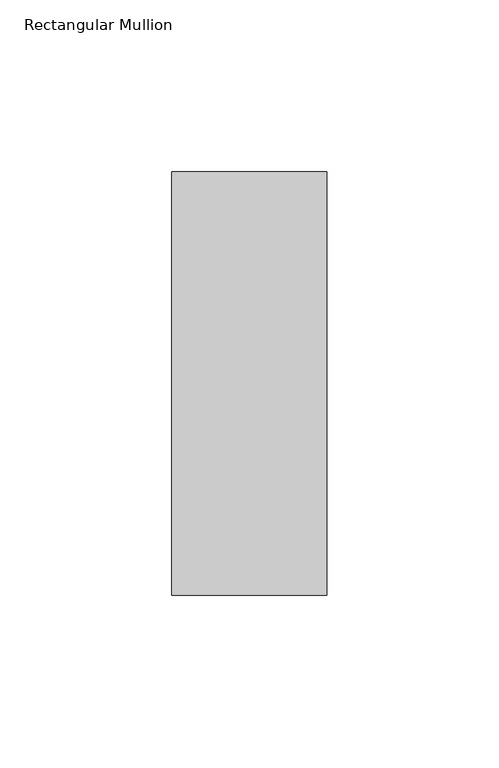
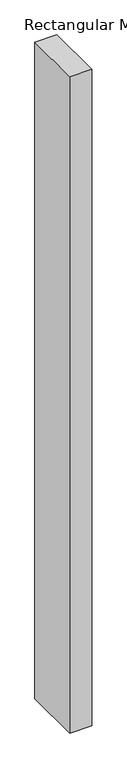
"""IFC4 building model written with IfcOpenShell, lengths in millimetres: member geometry, Rectangular Mullion."""

import ifcopenshell
import ifcopenshell.guid

model = None  # the IFC model being written
_history = None  # IfcOwnerHistory: only IFC2X3 demands one
_inside = {}  # id of a spatial element -> (the spatial element, [elements in it])
_under = {}  # id of a project, library or spatial element -> (it, [spatial elements below it])
_declared = {}  # id of a project -> (the project, [libraries it declares])
_typed = {}  # id of a type object -> (the type object, [elements of that type])
_made_of = {}  # id of a material, layer set ... -> (it, [elements and type objects made of it])


def new_model(schema):
    """Start an empty IFC model of exactly this schema.

    Asked for "IFC4X3", IfcOpenShell would pick the latest addendum, in which some entities
    have other attributes; the version numbers below select the first issue.
    IFC2X3 requires an IfcOwnerHistory on every rooted entity: one is made here for all.
    """
    global model, _history
    if schema == "IFC4X3":
        model = ifcopenshell.file(schema_version=(4, 3, 0, 0))
    else:
        model = ifcopenshell.file(schema=schema)
    _inside.clear()
    _under.clear()
    _declared.clear()
    _typed.clear()
    _made_of.clear()
    _history = None
    if model.schema == "IFC2X3":
        org = make("IfcOrganization", Name="unknown")
        user = make(
            "IfcPersonAndOrganization",
            ThePerson=make("IfcPerson", FamilyName="unknown"),
            TheOrganization=org,
        )
        app = make(
            "IfcApplication",
            ApplicationDeveloper=org,
            Version="unknown",
            ApplicationFullName="unknown",
            ApplicationIdentifier="unknown",
        )
        _history = make(
            "IfcOwnerHistory",
            OwningUser=user,
            OwningApplication=app,
            ChangeAction="ADDED",
            CreationDate=0,
        )
    return model


def make(cls, **values):
    """One entity of the class cls with the attributes given. An attribute that is None is left unset."""
    return model.create_entity(
        cls, **{name: value for name, value in values.items() if value is not None}
    )


def rooted(cls, **values):
    """An entity with a GlobalId (a new one), such as an element, a storey or a relation."""
    return make(cls, GlobalId=ifcopenshell.guid.new(), OwnerHistory=_history, **values)


def si_unit(unit_type, name, prefix=None):
    """IfcSIUnit, for example si_unit("LENGTHUNIT", "METRE", prefix="MILLI")."""
    return make("IfcSIUnit", UnitType=unit_type, Prefix=prefix, Name=name)


def assignment(units):
    """IfcUnitAssignment: the units of a project."""
    return None if units is None else make("IfcUnitAssignment", Units=units)


def point(xyz):
    """IfcCartesianPoint."""
    return None if xyz is None else make("IfcCartesianPoint", Coordinates=xyz)


def direction(xyz):
    """IfcDirection."""
    return None if xyz is None else make("IfcDirection", DirectionRatios=xyz)


def frame(location, z_axis=None, x_axis=None):
    """IfcAxis2Placement3D, a coordinate frame: its origin and axes. An axis left out is left unset."""
    return make(
        "IfcAxis2Placement3D",
        Location=point(location),
        Axis=direction(z_axis),
        RefDirection=direction(x_axis),
    )


def origin():
    """The frame at (0, 0, 0) with its axes left unset."""
    return frame((0.0, 0.0, 0.0))


def place(relative_to, where):
    """IfcLocalPlacement: puts the frame where relative to a parent placement (None: the world)."""
    return make(
        "IfcLocalPlacement", PlacementRelTo=relative_to, RelativePlacement=where
    )


def context(
    kind, dimensions, precision=None, world=None, true_north=None, identifier=None
):
    """IfcGeometricRepresentationContext, for example the 3D "Model" context."""
    return make(
        "IfcGeometricRepresentationContext",
        ContextIdentifier=identifier,
        ContextType=kind,
        CoordinateSpaceDimension=dimensions,
        Precision=precision,
        WorldCoordinateSystem=world,
        TrueNorth=true_north,
    )


def project(units=None, contexts=None):
    """IfcProject with its units and contexts."""
    return rooted(
        "IfcProject",
        Name="project",
        RepresentationContexts=contexts,
        UnitsInContext=assignment(units),
    )


def spatial(cls, under=None, at=None, **own):
    """A site, building, storey or space (cls), placed at a placement, below another one or the project."""
    s = rooted(cls, ObjectPlacement=at, **own)
    if under is not None:
        _under.setdefault(under.id(), (under, []))[1].append(s)
    return s


def polyline(points):
    """IfcPolyline through the points."""
    return make("IfcPolyline", Points=[point(p) for p in points])


def outline(outer, holes=None, kind="AREA"):
    """IfcArbitraryClosedProfileDef: a profile drawn as a closed curve; with holes, ...WithVoids."""
    if holes is None:
        return make("IfcArbitraryClosedProfileDef", ProfileType=kind, OuterCurve=outer)
    return make(
        "IfcArbitraryProfileDefWithVoids",
        ProfileType=kind,
        OuterCurve=outer,
        InnerCurves=holes,
    )


def extrude(swept, where, along, depth):
    """IfcExtrudedAreaSolid: the profile swept, set in the frame where, extruded along a direction by depth."""
    return make(
        "IfcExtrudedAreaSolid",
        SweptArea=swept,
        Position=where,
        ExtrudedDirection=direction(along),
        Depth=depth,
    )


def shape(context_of_items, identifier, shape_type, items):
    """IfcShapeRepresentation: the items that make up one representation, for example the "Body"."""
    return make(
        "IfcShapeRepresentation",
        ContextOfItems=context_of_items,
        RepresentationIdentifier=identifier,
        RepresentationType=shape_type,
        Items=items,
    )


def source(mapping_origin, context_of_items, identifier, shape_type, items):
    """IfcRepresentationMap: a shape defined once, which mapped items show again and again."""
    return make(
        "IfcRepresentationMap",
        MappingOrigin=mapping_origin,
        MappedRepresentation=shape(context_of_items, identifier, shape_type, items),
    )


def transform(
    local_origin,
    x_axis=None,
    y_axis=None,
    z_axis=None,
    scale=None,
    scale2=None,
    scale3=None,
    uniform=True,
):
    """IfcCartesianTransformationOperator3D, or its non-uniform kind. x_axis, y_axis, z_axis: its Axis1, 2, 3."""
    if uniform:
        return make(
            "IfcCartesianTransformationOperator3D",
            Axis1=direction(x_axis),
            Axis2=direction(y_axis),
            LocalOrigin=point(local_origin),
            Scale=scale,
            Axis3=direction(z_axis),
        )
    return make(
        "IfcCartesianTransformationOperator3DnonUniform",
        Axis1=direction(x_axis),
        Axis2=direction(y_axis),
        LocalOrigin=point(local_origin),
        Scale=scale,
        Axis3=direction(z_axis),
        Scale2=scale2,
        Scale3=scale3,
    )


def mapped(mapping_source, mapping_target):
    """IfcMappedItem: shows the shape of a source again, moved by a transform."""
    return make(
        "IfcMappedItem", MappingSource=mapping_source, MappingTarget=mapping_target
    )


def made_of(thing, what):
    """Note that an element or type object is made of a material, layer set ...; save() writes the relation."""
    if what is not None:
        _made_of.setdefault(what.id(), (what, []))[1].append(thing)
    return thing


def element(
    cls,
    number,
    at=None,
    inside=None,
    cuts=None,
    type_object=None,
    material=None,
    context=None,
    identifier="Body",
    shape_type=None,
    held_by="IfcProductDefinitionShape",
    body=None,
    shapes=None,
    **own,
):
    """One element of the class cls, such as IfcWall. Its Tag is "e" and its number.

    at: its placement. inside: the storey or other place that contains it. cuts: it is an
    opening in that element (IfcRelVoidsElement). A single representation is given by context,
    identifier, shape_type and body (its items); several are given by shapes. held_by: the class
    of the entity that holds the representations. save() writes the other relations.
    """
    e = rooted(cls, Tag="e%d" % number, ObjectPlacement=at, **own)
    if body is not None:
        shapes = [shape(context, identifier, shape_type, body)]
    if shapes is not None:
        e.Representation = make(held_by, Representations=shapes)
    if inside is not None:
        _inside.setdefault(inside.id(), (inside, []))[1].append(e)
    if cuts is not None:
        rooted(
            "IfcRelVoidsElement", RelatingBuildingElement=cuts, RelatedOpeningElement=e
        )
    if type_object is not None:
        _typed.setdefault(type_object.id(), (type_object, []))[1].append(e)
    return made_of(e, material)


def aggregate(whole, parts):
    """IfcRelAggregates: a whole, such as a stair, and the parts it consists of."""
    return rooted("IfcRelAggregates", RelatingObject=whole, RelatedObjects=parts)


def save(model, path):
    """Write the relations noted so far, then the file.

    IfcRelAggregates (storeys below a building ...), IfcRelContainedInSpatialStructure (elements
    in a storey), IfcRelDefinesByType, IfcRelAssociatesMaterial and IfcRelDeclares: one each for
    every whole, place, type object, material and project.
    """
    for whole, parts in _under.values():
        aggregate(whole, parts)
    for where, things in _inside.values():
        rooted(
            "IfcRelContainedInSpatialStructure",
            RelatedElements=things,
            RelatingStructure=where,
        )
    for kind, things in _typed.values():
        rooted("IfcRelDefinesByType", RelatedObjects=things, RelatingType=kind)
    for what, things in _made_of.values():
        rooted("IfcRelAssociatesMaterial", RelatedObjects=things, RelatingMaterial=what)
    for by, libraries in _declared.values():
        rooted("IfcRelDeclares", RelatingContext=by, RelatedDefinitions=libraries)
    model.write(path)


def rectangular_mullion_16b08667(model_context):
    return source(origin(), model_context, "Body", "SweptSolid", [
        extrude(outline(polyline([(0.0, 77.05), (0.0, -46.05), (-45.0, -46.05), (-45.0, 77.05), (0.0, 77.05)])), frame((0.0, 0.0, -1418.0437978), z_axis=(0.0, 0.0, 1.0), x_axis=(1.0, 0.0, 0.0)), (0.0, 0.0, 1.0), 1418.0437978),
    ])


if __name__ == "__main__":
    model = new_model("IFC4")
    model_context = context("Model", 3, world=origin())
    ifc_project = project(units=[si_unit("LENGTHUNIT", "METRE", prefix="MILLI")], contexts=[model_context])
    site = spatial("IfcSite", under=ifc_project)
    building = spatial("IfcBuilding", under=site)
    placement = place(None, origin())
    rectangular_mullion_shape = rectangular_mullion_16b08667(model_context)
    element("IfcMember", 1, ObjectType="Rectangular Mullion", at=placement, inside=building, context=model_context, shape_type="MappedRepresentation", body=[
        mapped(rectangular_mullion_shape, transform((0.0, 0.0, 0.0), x_axis=(1.0, 0.0, 0.0), y_axis=(0.0, 1.0, 0.0), z_axis=(0.0, 0.0, 1.0))),
    ])
    save(model, "model.ifc")
